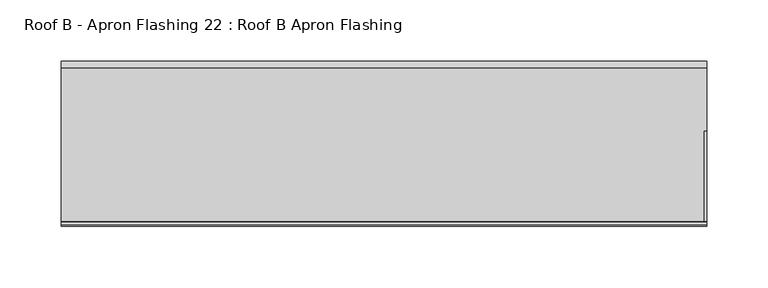
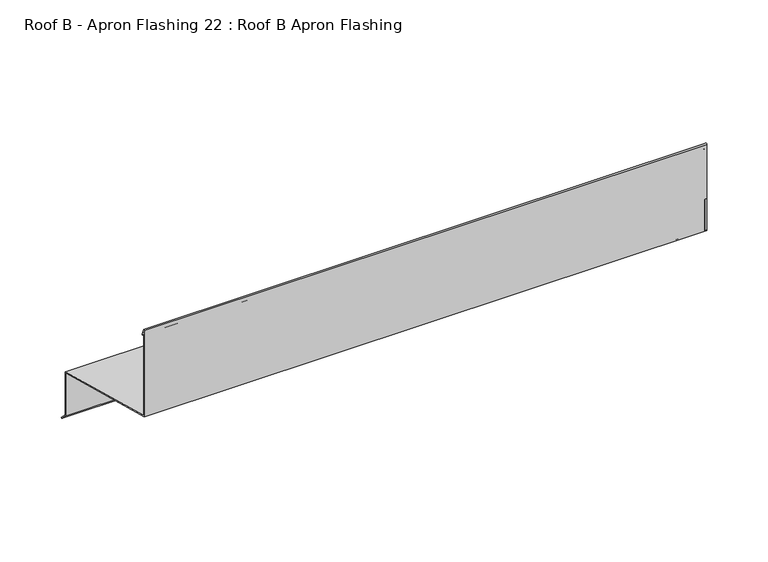
"""IFC4 building model written with IfcOpenShell, lengths in millimetres: proxy geometry, Roof B - Apron Flashing 22 : Roof B Apron Flashing."""

from ifc_helpers import new_model, si_unit, point, frame, frame_2d, origin, place, context, project, spatial, polyline, circle_curve, trimmed, segment, composite_curve, outline, extrude, source, transform, mapped, element, save


def roof_b_apron_flashing_22_roof_b_apron_flashing_b76dfa98(model_context):
    return source(origin(), model_context, "Body", "SweptSolid", [
        extrude(outline(polyline([(5673.2344915, -388.7215885), (5627.9865096, -376.5974283), (5627.9865096, -333.9762204), (5673.2344915, -346.1003806), (5673.2344915, -388.7215885)])), frame((16294.3541786, 0.0, 0.0), z_axis=(1.0, 0.0, 0.0), x_axis=(0.0, 1.0, 0.0)), (0.0, 0.0, 1.0), 2.0),
        extrude(outline(polyline([(5622.9865096, -331.6011982), (5544.8615096, -310.6676676), (5544.8615096, -279.7934577), (5622.9865096, -300.7269884), (5622.9865096, -331.6011982)])), frame((16294.3541786, 0.0, 0.0), z_axis=(1.0, 0.0, 0.0), x_axis=(0.0, 1.0, 0.0)), (0.0, 0.0, 1.0), 2.0),
        extrude(outline(composite_curve([segment(polyline([(5674.2344915, -345.3330536), (5674.2344915, -388.338713), (5680.2651268, -394.3693483), (5679.55802, -395.0764551), (5673.2344915, -388.7529266), (5673.2344915, -346.1003806), (5544.8615096, -311.7029438), (5544.8615096, -225.8538686)]), True, "CONTINUOUS"), segment(trimmed(circle_curve(frame_2d((5545.5405538, -225.8538686)), 0.6790442), [point((5544.8615096, -225.8538686))], [point((5546.1701526, -225.5994942))], False, "CARTESIAN"), True, "CONTINUOUS"), segment(polyline([(5546.1701526, -225.5994942), (5548.5846074, -231.5754797)]), True, "CONTINUOUS"), segment(trimmed(circle_curve(frame_2d((5548.1210155, -231.762783)), 0.5), [point((5548.5846074, -231.5754797))], [point((5547.6574236, -231.9500863))], False, "CARTESIAN"), True, "CONTINUOUS"), segment(polyline([(5547.6574236, -231.9500863), (5545.8615096, -227.5050431), (5545.8615096, -310.9356168), (5674.2344915, -345.3330536)]), True, "CONTINUOUS")], self_intersect=False)), frame((15767.4791786, 0.0, 0.0), z_axis=(1.0, 0.0, 0.0), x_axis=(0.0, 1.0, 0.0)), (0.0, 0.0, 1.0), 528.875),
    ])


if __name__ == "__main__":
    model = new_model("IFC4")
    model_context = context("Model", 3, world=origin())
    ifc_project = project(units=[si_unit("LENGTHUNIT", "METRE", prefix="MILLI")], contexts=[model_context])
    site = spatial("IfcSite", under=ifc_project)
    building = spatial("IfcBuilding", under=site)
    placement = place(None, origin())
    roof_b_apron_flashing_22_roof_b_apron_flashing_shape = roof_b_apron_flashing_22_roof_b_apron_flashing_b76dfa98(model_context)
    element("IfcBuildingElementProxy", 1, Name="Roof B - Apron Flashing 22 : Roof B Apron Flashing", ObjectType="Roof B - Apron Flashing 22 : Roof B Apron Flashing", at=placement, inside=building, context=model_context, shape_type="MappedRepresentation", body=[
        mapped(roof_b_apron_flashing_22_roof_b_apron_flashing_shape, transform((0.0, 0.0, 0.0), x_axis=(1.0, 0.0, 0.0), y_axis=(0.0, 1.0, 0.0), z_axis=(0.0, 0.0, 1.0))),
    ])
    save(model, "model.ifc")
